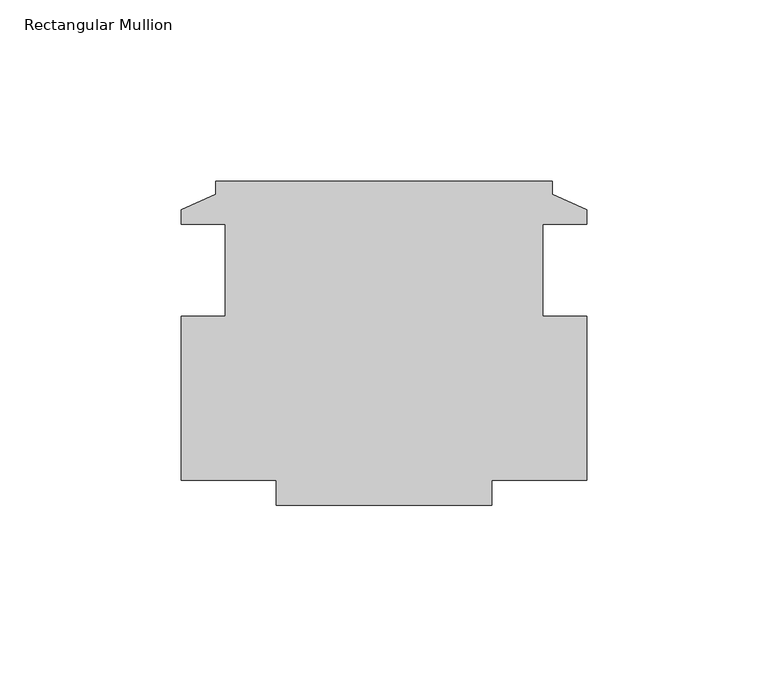
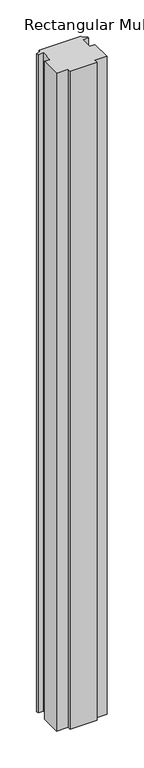
"""IFC4 building model written with IfcOpenShell, lengths in millimetres: member geometry, Rectangular Mullion."""

from ifc_helpers import new_model, si_unit, frame, origin, place, context, project, spatial, polyline, outline, extrude, source, transform, mapped, element, save


def rectangular_mullion_acc2b433(model_context):
    return source(origin(), model_context, "Body", "SweptSolid", [
        extrude(outline(polyline([(45.8782529, 46.3678001), (45.8782529, 42.7610001), (55.4032529, 38.4430001), (55.4032529, 34.5314001), (43.1858529, 34.5314001), (43.1858529, 9.1314001), (55.4032529, 9.1314001), (55.4032529, -36.1821999), (29.1142529, -36.1821999), (29.1142529, -43.0909999), (-30.2201471, -43.0909999), (-30.2201471, -36.1821999), (-56.5091471, -36.1821999), (-56.5091471, 9.1314001), (-44.2917471, 9.1314001), (-44.2917471, 34.5314001), (-56.5091471, 34.5314001), (-56.5091471, 38.4430001), (-46.9841471, 42.7610001), (-46.9841471, 46.3678001), (45.8782529, 46.3678001)])), frame((0.0, 0.0, -1532.0510874), z_axis=(0.0, 0.0, 1.0), x_axis=(1.0, 0.0, 0.0)), (0.0, 0.0, 1.0), 1532.0510874),
    ])


if __name__ == "__main__":
    model = new_model("IFC4")
    model_context = context("Model", 3, world=origin())
    ifc_project = project(units=[si_unit("LENGTHUNIT", "METRE", prefix="MILLI")], contexts=[model_context])
    site = spatial("IfcSite", under=ifc_project)
    building = spatial("IfcBuilding", under=site)
    placement = place(None, origin())
    rectangular_mullion_shape = rectangular_mullion_acc2b433(model_context)
    element("IfcMember", 1, ObjectType="Rectangular Mullion", at=placement, inside=building, context=model_context, shape_type="MappedRepresentation", body=[
        mapped(rectangular_mullion_shape, transform((0.0, 0.0, 0.0), x_axis=(1.0, 0.0, 0.0), y_axis=(0.0, 1.0, 0.0), z_axis=(0.0, 0.0, 1.0))),
    ])
    save(model, "model.ifc")
